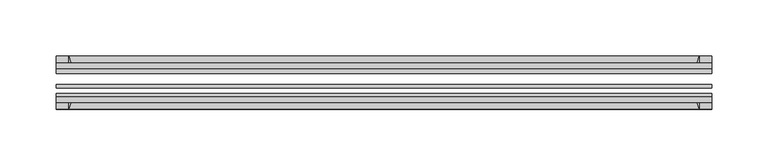
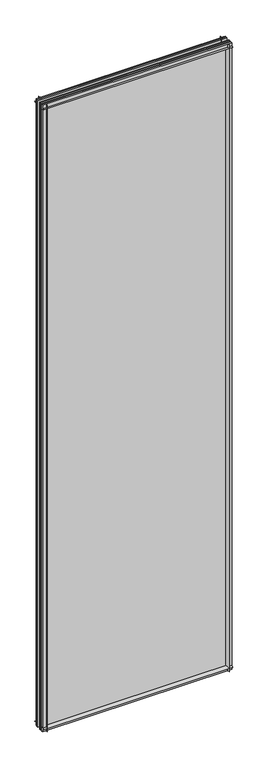
"""IFC4 building model written with IfcOpenShell, lengths in millimetres: plate geometry."""

from ifc_helpers import new_model, si_unit, point, frame, frame_2d, origin, place, context, project, spatial, polyline, circle_curve, trimmed, segment, composite_curve, outline, extrude, source, transform, mapped, element, save


def plate_66361ab0(model_context):
    return source(origin(), model_context, "Body", "SweptSolid", [
        extrude(outline(composite_curve([segment(polyline([(-74.653775, 0.0), (-80.586498, 0.0)]), True, "CONTINUOUS"), segment(trimmed(circle_curve(frame_2d((-86.2543953, 32.273404)), 32.7673262), [point((-80.586498, 0.0))], [point((-69.878575, 3.8915405))], True, "CARTESIAN"), True, "CONTINUOUS"), segment(polyline([(-69.878575, 3.8915405), (-69.878575, -10.31875), (-74.653775, -10.31875), (-74.653775, 0.0)]), True, "CONTINUOUS")], self_intersect=False)), frame((-290.5125, 0.0, 0.0), z_axis=(1.0, 0.0, 0.0), x_axis=(0.0, 1.0, 0.0)), (0.0, 0.0, 1.0), 581.025),
        extrude(outline(composite_curve([segment(polyline([(-44.478575, -10.31875), (-44.478575, 3.8915405)]), True, "CONTINUOUS"), segment(trimmed(circle_curve(frame_2d((-28.1027547, 32.273404)), 32.7673262), [point((-44.478575, 3.8915405))], [point((-33.770652, 0.0))], True, "CARTESIAN"), True, "CONTINUOUS"), segment(polyline([(-33.770652, 0.0), (-39.703375, 0.0), (-39.703375, -10.31875), (-44.478575, -10.31875)]), True, "CONTINUOUS")], self_intersect=False)), frame((-290.5125, 0.0, 0.0), z_axis=(1.0, 0.0, 0.0), x_axis=(0.0, 1.0, 0.0)), (0.0, 0.0, 1.0), 581.025),
        extrude(outline(composite_curve([segment(trimmed(circle_curve(frame_2d((-86.2543953, 1977.495246)), 32.7673262), [point((-69.878575, 2005.8771095))], [point((-80.622775, 2009.775))], True, "CARTESIAN"), True, "CONTINUOUS"), segment(polyline([(-80.622775, 2009.775), (-74.653775, 2009.775), (-74.653775, 2020.8875), (-69.878575, 2020.8875), (-69.878575, 2005.8771095)]), True, "CONTINUOUS")], self_intersect=False)), frame((-290.5125, 0.0, 0.0), z_axis=(1.0, 0.0, 0.0), x_axis=(0.0, 1.0, 0.0)), (0.0, 0.0, 1.0), 581.025),
        extrude(outline(composite_curve([segment(polyline([(-44.478575, 2005.8771095), (-44.478575, 2020.8875), (-39.703375, 2020.8875), (-39.703375, 2009.775), (-33.734375, 2009.775)]), True, "CONTINUOUS"), segment(trimmed(circle_curve(frame_2d((-28.1027547, 1977.495246)), 32.7673262), [point((-33.734375, 2009.775))], [point((-44.478575, 2005.8771095))], True, "CARTESIAN"), True, "CONTINUOUS")], self_intersect=False)), frame((-290.5125, 0.0, 0.0), z_axis=(1.0, 0.0, 0.0), x_axis=(0.0, 1.0, 0.0)), (0.0, 0.0, 1.0), 581.025),
        extrude(outline(composite_curve([segment(polyline([(275.5021095, -69.878575), (290.5125, -69.878575), (290.5125, -74.653775), (279.4, -74.653775), (279.4, -80.622775)]), True, "CONTINUOUS"), segment(trimmed(circle_curve(frame_2d((247.120246, -86.2543953)), 32.7673262), [point((279.4, -80.622775))], [point((275.5021095, -69.878575))], True, "CARTESIAN"), True, "CONTINUOUS")], self_intersect=False)), frame((0.0, 0.0, -10.31875), z_axis=(0.0, 0.0, 1.0), x_axis=(1.0, 0.0, 0.0)), (0.0, 0.0, 1.0), 2031.20625),
        extrude(outline(composite_curve([segment(trimmed(circle_curve(frame_2d((247.120246, -28.1027547)), 32.7673262), [point((275.5021095, -44.478575))], [point((279.4, -33.734375))], True, "CARTESIAN"), True, "CONTINUOUS"), segment(polyline([(279.4, -33.734375), (279.4, -39.703375), (290.5125, -39.703375), (290.5125, -44.478575), (275.5021095, -44.478575)]), True, "CONTINUOUS")], self_intersect=False)), frame((0.0, 0.0, -10.31875), z_axis=(0.0, 0.0, 1.0), x_axis=(1.0, 0.0, 0.0)), (0.0, 0.0, 1.0), 2031.20625),
        extrude(outline(composite_curve([segment(trimmed(circle_curve(frame_2d((-247.120246, -86.2543953)), 32.7673262), [point((-275.5021095, -69.878575))], [point((-279.4, -80.622775))], True, "CARTESIAN"), True, "CONTINUOUS"), segment(polyline([(-279.4, -80.622775), (-279.4, -74.653775), (-290.5125, -74.653775), (-290.5125, -69.878575), (-275.5021095, -69.878575)]), True, "CONTINUOUS")], self_intersect=False)), frame((0.0, 0.0, -10.31875), z_axis=(0.0, 0.0, 1.0), x_axis=(1.0, 0.0, 0.0)), (0.0, 0.0, 1.0), 2031.20625),
        extrude(outline(composite_curve([segment(polyline([(-275.5021095, -44.478575), (-290.5125, -44.478575), (-290.5125, -39.703375), (-279.4, -39.703375), (-279.4, -33.734375)]), True, "CONTINUOUS"), segment(trimmed(circle_curve(frame_2d((-247.120246, -28.1027547)), 32.7673262), [point((-279.4, -33.734375))], [point((-275.5021095, -44.478575))], True, "CARTESIAN"), True, "CONTINUOUS")], self_intersect=False)), frame((0.0, 0.0, -10.31875), z_axis=(0.0, 0.0, 1.0), x_axis=(1.0, 0.0, 0.0)), (0.0, 0.0, 1.0), 2031.20625),
        extrude(outline(polyline([(-290.5125, -44.478575), (290.5125, -44.478575), (290.5125, -49.241075), (-290.5125, -49.241075), (-290.5125, -44.478575)])), frame((0.0, 0.0, -10.31875), z_axis=(0.0, 0.0, 1.0), x_axis=(1.0, 0.0, 0.0)), (0.0, 0.0, 1.0), 2031.20625),
        extrude(outline(polyline([(290.5125, -58.956575), (290.5125, -62.131575), (-290.5125, -62.131575), (-290.5125, -58.956575), (290.5125, -58.956575)])), frame((0.0, 0.0, -10.31875), z_axis=(0.0, 0.0, 1.0), x_axis=(1.0, 0.0, 0.0)), (0.0, 0.0, 1.0), 2031.20625),
        extrude(outline(polyline([(-290.5125, -66.703575), (290.5125, -66.703575), (290.5125, -69.878575), (-290.5125, -69.878575), (-290.5125, -66.703575)])), frame((0.0, 0.0, -10.31875), z_axis=(0.0, 0.0, 1.0), x_axis=(1.0, 0.0, 0.0)), (0.0, 0.0, 1.0), 2031.20625),
    ])


if __name__ == "__main__":
    model = new_model("IFC4")
    model_context = context("Model", 3, world=origin())
    ifc_project = project(units=[si_unit("LENGTHUNIT", "METRE", prefix="MILLI")], contexts=[model_context])
    site = spatial("IfcSite", under=ifc_project)
    building = spatial("IfcBuilding", under=site)
    placement = place(None, origin())
    plate_shape = plate_66361ab0(model_context)
    element("IfcPlate", 1, at=placement, inside=building, context=model_context, shape_type="MappedRepresentation", body=[
        mapped(plate_shape, transform((0.0, 0.0, 0.0), x_axis=(1.0, 0.0, 0.0), y_axis=(0.0, 1.0, 0.0), z_axis=(0.0, 0.0, 1.0))),
    ])
    save(model, "model.ifc")
